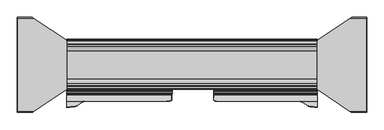
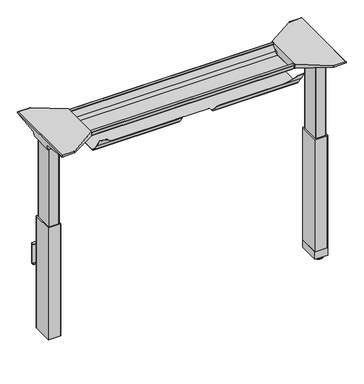
"""IFC4 building model written with IfcOpenShell, lengths in millimetres: furniture geometry."""

from ifc_helpers import new_model, si_unit, point, frame, frame_2d, origin, place, context, project, spatial, polyline, circle_curve, ellipse_curve, trimmed, segment, composite_curve, outline, extrude, faceted_brep, source, transform, mapped, element, save
from ifc_brep_helpers import plane_surface, cylinder_surface, revolved_surface, advanced_brep


def furniture_4a7095aa(model_context):
    return source(origin(), model_context, "Body", "SolidModel", [
        faceted_brep([(475.0773962, 590.8522459, 952.2870648), (475.0773962, 595.9511535, 952.888627), (475.0773962, 600.7795651, 954.6650084), (475.0773962, 605.0755602, 957.5308218), (475.0773962, 608.5953671, 961.3414904), (475.0773962, 633.6989947, 995.9838526), (475.0773962, 632.9604951, 996.5190068), (475.0773962, 607.8568766, 961.8766321), (475.0773962, 604.4835723, 958.2245295), (475.0773962, 600.3663818, 955.4780401), (475.0773962, 595.738939, 953.7755641), (475.0773962, 590.8522459, 953.1990731), (475.0773962, 441.3736247, 953.1990731), (475.0773962, 436.486968, 953.7755641), (475.0773962, 431.859507, 955.4780401), (475.0773962, 427.7422983, 958.2245295), (475.0773962, 424.3689849, 961.8766321), (475.0773962, 399.2028612, 996.6052536), (475.0773962, 376.5092296, 1033.3651011), (475.0773962, 375.4403751, 1033.3651011), (475.0773962, 398.4643797, 996.0701118), (475.0773962, 423.6305035, 961.3414904), (475.0773962, 427.1503195, 957.5308218), (475.0773962, 431.4463146, 954.6650084), (475.0773962, 436.2747444, 952.8885906), (475.0773962, 441.3736247, 952.2870648), (-475.2619573, 590.8522459, 952.2870648), (-475.2619573, 441.3736247, 952.2870648), (-475.2619573, 436.2747444, 952.8885906), (-475.2619573, 431.4463146, 954.6650084), (-475.2619573, 427.1503195, 957.5308218), (-475.2619573, 423.6305035, 961.3414904), (-475.2619573, 398.4643797, 996.0701118), (-475.2619573, 374.6840646, 1034.590196), (-475.2619573, 375.7529193, 1034.590196), (-475.2619573, 399.2028612, 996.6052536), (-475.2619573, 424.3689849, 961.8766321), (-475.2619573, 427.7422983, 958.2245295), (-475.2619573, 431.859507, 955.4780401), (-475.2619573, 436.486968, 953.7755641), (-475.2619573, 441.3736247, 953.1990731), (-475.2619573, 590.8522459, 953.1990731), (-475.2619573, 595.738939, 953.7755641), (-475.2619573, 600.3663818, 955.4780401), (-475.2619573, 604.4835723, 958.2245295), (-475.2619573, 607.8568766, 961.8766321), (-475.2619573, 632.9604951, 996.5190068), (-475.2619573, 633.6989947, 995.9838526), (-475.2619573, 608.5953671, 961.3414904), (-475.2619573, 605.0755602, 957.5308218), (-475.2619573, 600.7795651, 954.6650084), (-475.2619573, 595.9511535, 952.888627), (-75.6384043, 441.3736247, 953.1990731), (-75.6384043, 454.3676256, 953.1990731), (81.7532437, 454.3676256, 953.1990731), (81.7532437, 441.3736247, 953.1990731), (81.7705031, 436.486968, 953.7755641), (-75.6556637, 436.486968, 953.7755641), (81.8214729, 431.859507, 955.4780401), (-75.7066339, 431.859507, 955.4780401), (81.903699, 427.7422983, 958.2245295), (-75.7888606, 427.7422983, 958.2245295), (82.013038, 424.3689849, 961.8766321), (-75.8982003, 424.3689849, 961.8766321), (81.9970166, 423.6305035, 961.3414904), (81.8829304, 427.1503195, 957.5308218), (-75.7680918, 427.1503195, 957.5308218), (-75.8821788, 423.6305035, 961.3414904), (81.7971318, 431.4463146, 954.6650084), (-75.6822927, 431.4463146, 954.6650084), (81.7439483, 436.2747444, 952.8885906), (-75.6291088, 436.2747444, 952.8885906), (81.7259395, 441.3736247, 952.2870648), (-75.6110998, 441.3736247, 952.2870648), (81.7259395, 454.3676256, 952.2870648), (-75.6110998, 454.3676256, 952.2870648), (82.8933187, 403.0621987, 991.2794643), (86.742357, 401.2086593, 993.8373024), (92.3919689, 399.4366732, 996.2825989), (404.3231429, 399.4366732, 996.2825989), (407.7577733, 399.2028612, 996.6052536), (408.6845046, 399.1397741, 996.6923122), (-405.8287306, 399.1397741, 996.6923122), (-404.9019993, 399.2028612, 996.6052536), (-401.4673689, 399.4366732, 996.2825989), (-97.8762341, 399.4366732, 996.2825989), (-84.3911169, 400.0282055, 995.466299), (-80.6274527, 401.2086593, 993.8373024), (-76.7784871, 403.0621987, 991.2794643), (412.8142671, 398.403722, 997.899724), (416.4928943, 397.2055291, 999.8405939), (419.525122, 395.6181075, 1002.4119486), (439.7901641, 382.2038478, 1024.1407822), (441.811625, 381.1455817, 1025.8549944), (444.2640916, 380.3467565, 1027.1489561), (447.0172666, 379.8498125, 1027.9539215), (449.9248653, 379.6812185, 1028.2270153), (-447.0690912, 379.6812185, 1028.2270153), (-444.1614926, 379.8498125, 1027.9539215), (-441.4083176, 380.3467565, 1027.1489561), (-438.955851, 381.1455817, 1025.8549944), (-436.9343901, 382.2038478, 1024.1407822), (-416.669348, 395.6181075, 1002.4119486), (-413.6371203, 397.2055291, 999.8405939), (-409.9584931, 398.403722, 997.899724), (449.9248653, 378.6123645, 1028.2270153), (447.0172666, 378.7809585, 1027.9539215), (444.2640916, 379.2779027, 1027.1489561), (441.811625, 380.076728, 1025.8549944), (439.7901641, 381.1349943, 1024.1407822), (419.525122, 394.5492565, 1002.4119486), (416.4928943, 396.1366784, 999.8405939), (412.8142671, 397.3348714, 997.899724), (408.6845046, 398.0802653, 996.6923122), (404.3231429, 398.3332012, 996.2825989), (92.3919689, 398.3332012, 996.2825989), (91.9010389, 398.4643797, 996.0701118), (-94.365989, 398.4643797, 996.0701118), (-97.8762341, 398.3332012, 996.2825989), (-401.4673689, 398.3332012, 996.2825989), (-405.8287306, 398.0802653, 996.6923122), (-409.9584931, 397.3348714, 997.899724), (-413.6371203, 396.1366784, 999.8405939), (-416.669348, 394.5492565, 1002.4119486), (-436.9343901, 381.1349943, 1024.1407822), (-438.955851, 380.076728, 1025.8549944), (-441.4083176, 379.2779027, 1027.1489561), (-444.1614926, 378.7809585, 1027.9539215), (-447.0690912, 378.6123645, 1028.2270153), (86.742357, 400.0823869, 993.8373024), (82.8933187, 401.9359263, 991.2794643), (-76.7784871, 401.9359263, 991.2794643), (-80.6274527, 400.0823869, 993.8373024), (-84.3911169, 398.9019332, 995.466299)], [[[0, 1, 2, 3, 4, 5, 6, 7, 8, 9, 10, 11, 12, 13, 14, 15, 16, 17, 18, 19, 20, 21, 22, 23, 24, 25]], [[26, 27, 28, 29, 30, 31, 32, 33, 34, 35, 36, 37, 38, 39, 40, 41, 42, 43, 44, 45, 46, 47, 48, 49, 50, 51]], [[1, 0, 26, 51]], [[2, 1, 51, 50]], [[3, 2, 50, 49]], [[4, 3, 49, 48]], [[5, 4, 48, 47]], [[6, 5, 47, 46]], [[7, 6, 46, 45]], [[8, 7, 45, 44]], [[9, 8, 44, 43]], [[10, 9, 43, 42]], [[11, 10, 42, 41]], [[12, 11, 41, 40, 52, 53, 54, 55]], [[13, 12, 55, 56]], [[40, 39, 57, 52]], [[14, 13, 56, 58]], [[39, 38, 59, 57]], [[15, 14, 58, 60]], [[38, 37, 61, 59]], [[16, 15, 60, 62]], [[37, 36, 63, 61]], [[22, 21, 64, 65]], [[31, 30, 66, 67]], [[23, 22, 65, 68]], [[30, 29, 69, 66]], [[24, 23, 68, 70]], [[29, 28, 71, 69]], [[25, 24, 70, 72]], [[28, 27, 73, 71]], [[0, 25, 72, 74, 75, 73, 27, 26]], [[17, 16, 62, 76, 77, 78, 79, 80, 81]], [[36, 35, 82, 83, 84, 85, 86, 87, 88, 63]], [[18, 17, 81, 89, 90, 91, 92, 93, 94, 95, 96]], [[35, 34, 97, 98, 99, 100, 101, 102, 103, 104, 82]], [[20, 19, 105, 106, 107, 108, 109, 110, 111, 112, 113, 114, 115, 116]], [[33, 32, 117, 118, 119, 120, 121, 122, 123, 124, 125, 126, 127, 128]], [[21, 20, 116, 129, 130, 64]], [[32, 31, 67, 131, 132, 133, 117]], [[114, 79, 78, 115]], [[133, 86, 85, 118, 117]], [[118, 85, 84, 119]], [[119, 84, 83, 82, 120]], [[120, 82, 104, 121]], [[121, 104, 103, 122]], [[122, 103, 102, 123]], [[123, 102, 101, 124]], [[124, 101, 100, 125]], [[125, 100, 99, 126]], [[126, 99, 98, 127]], [[127, 98, 97, 128]], [[105, 96, 95, 106]], [[106, 95, 94, 107]], [[107, 94, 93, 108]], [[108, 93, 92, 109]], [[109, 92, 91, 110]], [[110, 91, 90, 111]], [[111, 90, 89, 112]], [[112, 89, 81, 113]], [[79, 114, 113, 81, 80]], [[115, 78, 77, 129, 116]], [[129, 77, 76, 130]], [[54, 74, 72, 70, 68, 65, 64, 130, 76, 62, 60, 58, 56, 55]], [[75, 53, 52, 57, 59, 61, 63, 88, 131, 67, 66, 69, 71, 73]], [[131, 88, 87, 132]], [[86, 133, 132, 87]], [[128, 97, 34, 33]], [[96, 105, 19, 18]], [[53, 75, 74, 54]]]),
        advanced_brep(
        [(655.2406297, 483.3959297, 988.7915733), (489.5122138, 483.3959297, 988.7915733), (503.8924181, 485.6243831, 986.1442785), (652.7518591, 485.6243831, 986.1442785), (655.4625278, 483.3869439, 989.0276054), (657.8619089, 482.7429173, 1005.9443054), (475.0773962, 482.7429173, 1005.9443054), (475.0773962, 483.0909034, 996.8037253), (477.9075093, 483.1720941, 994.6710821), (478.0501644, 483.2497602, 992.6310191), (658.7185362, 477.2758818, 1011.9839076), (475.0773962, 477.2758818, 1011.9839076), (661.2393767, 362.7046774, 1029.7569507), (597.0243442, 362.7046774, 1029.7569507), (475.0773962, 443.5093999, 1017.2219877), (661.3128152, 358.9286724, 1030.2747243), (602.7229255, 358.9286724, 1030.2747243), (661.9871296, 357.418416, 1035.0289399), (660.2021288, 359.9953111, 1037.209), (601.1132011, 359.9953111, 1037.209), (661.9871296, 716.3919839, 1035.0289399), (661.3128152, 714.8817274, 1030.2747243), (602.7229255, 714.8817274, 1030.2747243), (601.1132011, 713.8150887, 1037.209), (660.2021288, 713.8150887, 1037.209), (661.2393767, 711.1057224, 1029.7569507), (597.0243442, 711.1057224, 1029.7569507), (658.7185362, 596.5345181, 1011.9839076), (475.0773962, 596.5345181, 1011.9839076), (475.0773962, 630.3009999, 1017.2219877), (657.8619089, 591.0674826, 1005.9443054), (475.0773962, 591.0674826, 1005.9443054), (655.4625278, 590.423456, 989.0276054), (655.2406297, 590.4144701, 988.7915733), (489.5122138, 590.4144701, 988.7915733), (478.0501644, 590.5606396, 992.6310191), (477.9075093, 590.6383057, 994.6710821), (475.0773962, 590.7194964, 996.8037253), (652.7518591, 588.1860168, 986.1442785), (503.8924181, 588.1860168, 986.1442785), (475.0773962, 630.3009999, 1037.209), (475.0773962, 443.5093999, 1037.209)],
        [
            (0, 1),
            (1, 2, ellipse_curve(frame((513.7936465, 406.358199, 1080.3086722), z_axis=(0.0, -0.7650318638532662, -0.6439924279750482), x_axis=(0.0, -0.6439924279750482, 0.7650318638532662)), 123.7641411, 94.6835116)),
            (2, 3),
            (3, 0),
            (0, 4),
            (4, 5),
            (5, 6),
            (6, 7),
            (7, 8),
            (8, 9),
            (9, 1, ellipse_curve(frame((513.7936465, 479.9118313, 1080.3086722), z_axis=(0.0, -0.999276106683639, -0.03804290487316255), x_axis=(0.0, -0.03804290487316397, 0.999276106683639)), 94.752102, 94.6835116)),
            (5, 10, ellipse_curve(frame((657.8119691, 476.284359, 1005.5922075), z_axis=(0.9900906714849623, 0.0, -0.14042956326378145), x_axis=(0.1404295632637812, 0.0, 0.9900906714849624)), 6.5328852, 6.4681487)),
            (10, 11),
            (11, 6, circle_curve(frame((475.0773962, 476.284359, 1005.5922075), z_axis=(-1.0, 0.0, 0.0), x_axis=(0.0, -1.0, 0.0)), 6.4681487)),
            (10, 12),
            (12, 13),
            (13, 14),
            (14, 11),
            (12, 15),
            (15, 16),
            (16, 13),
            (15, 17, ellipse_curve(frame((661.7730772, 360.9057888, 1033.5197755), z_axis=(-0.9900906714849623, 0.0, 0.14042956326378145), x_axis=(-0.1404295632637812, 0.0, -0.9900906714849624)), 3.8379455, 3.7999141)),
            (17, 18, ellipse_curve(frame((663.222811, 360.9057888, 1033.5197755), z_axis=(-0.7737284588432359, 0.0, -0.6335173809581479), x_axis=(-0.6335173809581477, 0.0, 0.773728458843236)), 4.9111727, 3.7999141)),
            (18, 19),
            (19, 16, ellipse_curve(frame((599.739148, 360.9057888, 1033.5197755), z_axis=(0.5523637579768635, 0.8336031902972043, 0.0), x_axis=(-0.8336031902972042, 0.5523637579768637, 0.0)), 6.8793689, 3.7999141)),
            (20, 21, ellipse_curve(frame((661.7730772, 712.904611, 1033.5197755), z_axis=(-0.9900906714849623, 0.0, 0.14042956326378145), x_axis=(-0.1404295632637812, 0.0, -0.9900906714849624)), 3.8379455, 3.7999141)),
            (21, 22),
            (22, 23, ellipse_curve(frame((599.739148, 712.904611, 1033.5197755), z_axis=(0.552363757974925, -0.8336031902984888, 0.0), x_axis=(-0.8336031902984888, -0.5523637579749251, 0.0)), 6.8793689, 3.7999141)),
            (23, 24),
            (24, 20, ellipse_curve(frame((663.222811, 712.904611, 1033.5197755), z_axis=(-0.7737284588432359, 0.0, -0.6335173809581479), x_axis=(-0.6335173809581477, 0.0, 0.773728458843236)), 4.9111727, 3.7999141)),
            (21, 25),
            (25, 26),
            (26, 22),
            (27, 28),
            (28, 29),
            (29, 26),
            (25, 27),
            (27, 30, ellipse_curve(frame((657.8119691, 597.5260409, 1005.5922075), z_axis=(0.9900906714849623, 0.0, -0.14042956326378145), x_axis=(0.1404295632637812, 0.0, 0.9900906714849624)), 6.5328852, 6.4681487)),
            (30, 31),
            (31, 28, circle_curve(frame((475.0773962, 597.5260409, 1005.5922075), z_axis=(-1.0, 0.0, 0.0), x_axis=(0.0, -1.0, 0.0)), 6.4681487)),
            (30, 32),
            (32, 33),
            (33, 34),
            (34, 35, ellipse_curve(frame((513.7936465, 593.8985685, 1080.3086722), z_axis=(0.0, 0.9992761066836363, -0.03804290487323539), x_axis=(0.0, -0.03804290487323121, -0.9992761066836364)), 94.752102, 94.6835116)),
            (35, 36),
            (36, 37),
            (37, 31),
            (33, 38),
            (38, 39),
            (39, 34, ellipse_curve(frame((513.7936465, 667.4522008, 1080.3086722), z_axis=(0.0, 0.7650318638534733, -0.643992427974802), x_axis=(0.0, -0.643992427974802, -0.7650318638534732)), 123.7641411, 94.6835116)),
            (4, 32),
            (20, 17),
            (24, 18),
            (23, 40),
            (40, 41),
            (41, 19),
            (37, 7),
            (14, 41),
            (40, 29),
            (36, 8),
            (35, 9),
            (39, 2),
            (38, 3),
        ],
        [
            plane_surface(frame((678.2773962, 485.6243831, 986.1442785), z_axis=(0.0, -0.7650318638532662, -0.6439924279750482), x_axis=(-1.0, 0.0, 0.0))),
            plane_surface(frame((678.2773962, 483.3959297, 988.7915733), z_axis=(0.0, -0.999276106683639, -0.03804290487316255), x_axis=(-1.0, 0.0, 0.0))),
            revolved_surface(polyline([(658.7293793154885, 469.81621029999997, 1005.5922075), (475.0773962, 469.81621029999997, 1005.5922075)]), (678.2773962, 476.284359, 1005.5922075), (1.0, 0.0, 0.0)),
            plane_surface(frame((678.2773962, 477.2758818, 1011.9839076), z_axis=(0.0, -0.153293135871396, -0.9881807600306302), x_axis=(-1.0, 0.0, 0.0))),
            plane_surface(frame((678.2773962, 362.7046774, 1029.7569507), z_axis=(0.0, -0.13585085469026903, -0.9907292996979162), x_axis=(-1.0, 0.0, 0.0))),
            cylinder_surface(frame((678.2773962, 360.9057888, 1033.5197755), z_axis=(-1.0, 0.0, 0.0), x_axis=(0.0, -1.0, 0.0)), 3.7999141),
            cylinder_surface(frame((678.2773962, 712.904611, 1033.5197755), z_axis=(-1.0, 0.0, 0.0), x_axis=(0.0, -1.0, 0.0)), 3.7999141),
            plane_surface(frame((678.2773962, 714.8817274, 1030.2747243), z_axis=(0.0, 0.13585085468791205, -0.9907292996982394), x_axis=(-1.0, 0.0, 0.0))),
            plane_surface(frame((678.2773962, 711.1057224, 1029.7569507), z_axis=(0.0, 0.1532931358714066, -0.9881807600306285), x_axis=(-1.0, 0.0, 0.0))),
            revolved_surface(polyline([(658.7293793154885, 591.0578922, 1005.5922075), (475.0773962, 591.0578922, 1005.5922075)]), (678.2773962, 597.5260409, 1005.5922075), (1.0, 0.0, 0.0)),
            plane_surface(frame((678.2773962, 591.0674826, 1005.9443054), z_axis=(0.0, 0.9992761066836363, -0.03804290487323539), x_axis=(-1.0, 0.0, 0.0))),
            plane_surface(frame((678.2773962, 590.4144701, 988.7915733), z_axis=(0.0, 0.7650318638534733, -0.643992427974802), x_axis=(-1.0, 0.0, 0.0))),
            plane_surface(frame((655.4625278, 346.4051999, 989.0276054), z_axis=(0.9900906714849623, 0.0, -0.14042956326378145), x_axis=(0.0, 1.0, 0.0))),
            plane_surface(frame((661.9871296, 346.4051999, 1035.0289399), z_axis=(0.7737284588432359, 0.0, 0.6335173809581479), x_axis=(0.0, 1.0, 0.0))),
            plane_surface(frame((660.2021288, 346.4051999, 1037.209), z_axis=(0.0, 0.0, 1.0), x_axis=(0.0, 1.0, 0.0))),
            plane_surface(frame((475.0773962, 346.4051999, 1037.209), z_axis=(-1.0, 0.0, 0.0), x_axis=(0.0, 1.0, 0.0))),
            plane_surface(frame((475.0773962, 346.4051999, 996.8037253), z_axis=(-0.6018150231516275, 0.0, -0.7986355100476099), x_axis=(0.0, 1.0, 0.0))),
            plane_surface(frame((477.9075093, 346.4051999, 994.6710821), z_axis=(-0.9975640502599619, 0.0, -0.069756473742158), x_axis=(0.0, 1.0, 0.0))),
            cylinder_surface(frame((513.7936465, 346.4051999, 1080.3086722), z_axis=(0.0, -1.0, 0.0), x_axis=(-1.0, 0.0, 0.0)), 94.6835116),
            plane_surface(frame((503.8924181, 346.4051999, 986.1442785), z_axis=(0.0, 0.0, -1.0), x_axis=(0.0, 1.0, 0.0))),
            plane_surface(frame((652.7518591, 346.4051999, 986.1442785), z_axis=(0.7285846064197211, 0.0, -0.6849558170336391), x_axis=(0.0, 1.0, 0.0))),
            plane_surface(frame((621.6228017, 346.4051999, 1037.209), z_axis=(-0.5523637579768635, -0.8336031902972043, 0.0), x_axis=(0.0, 0.0, -1.0))),
            plane_surface(frame((475.0773962, 630.3009999, 1037.209), z_axis=(-0.552363757974925, 0.8336031902984888, 0.0), x_axis=(0.0, 0.0, -1.0))),
        ],
        [
            (0, [[1, 2, 3, 4]]),
            (1, [[-1, 5, 6, 7, 8, 9, 10, 11]]),
            (2, [[-7, 12, 13, 14]]),
            (3, [[-13, 15, 16, 17, 18]]),
            (4, [[19, 20, 21, -16]]),
            (5, [[22, 23, 24, 25, -20]]),
            (6, [[26, 27, 28, 29, 30]]),
            (7, [[31, 32, 33, -27]]),
            (8, [[34, 35, 36, -32, 37]]),
            (9, [[-34, 38, 39, 40]]),
            (10, [[-39, 41, 42, 43, 44, 45, 46, 47]]),
            (11, [[-43, 48, 49, 50]]),
            (12, [[51, -41, -38, -37, -31, -26, 52, -22, -19, -15, -12, -6]]),
            (13, [[-52, -30, 53, -23]]),
            (14, [[-53, -29, 54, 55, 56, -24]]),
            (15, [[57, -8, -14, -18, 58, -55, 59, -35, -40, -47]]),
            (16, [[-57, -46, 60, -9]]),
            (17, [[-60, -45, 61, -10]]),
            (18, [[-61, -44, -50, 62, -2, -11]]),
            (19, [[-62, -49, 63, -3]]),
            (20, [[-51, -5, -4, -63, -48, -42]]),
            (21, [[-56, -58, -17, -21, -25]]),
            (22, [[-54, -28, -33, -36, -59]]),
        ],
    ),
        advanced_brep(
        [(-489.5122138, 483.3959297, 988.7915733), (-655.2406297, 483.3959297, 988.7915733), (-652.7518591, 485.6243831, 986.1442785), (-503.8924181, 485.6243831, 986.1442785), (-478.0501644, 483.2497602, 992.6310191), (-477.9075093, 483.1720941, 994.6710821), (-475.2619573, 483.0961981, 996.6646485), (-475.2619573, 482.7429173, 1005.9443054), (-657.8619089, 482.7429173, 1005.9443054), (-655.4625278, 483.3869439, 989.0276054), (-475.2619573, 477.2758818, 1011.9839076), (-658.7185362, 477.2758818, 1011.9839076), (-475.2619573, 443.5162046, 1017.2209321), (-597.0570453, 362.7046774, 1029.7569507), (-661.2393767, 362.7046774, 1029.7569507), (-661.3128152, 358.9286724, 1030.2747243), (-602.7480509, 358.9286724, 1030.2747243), (-661.9871296, 357.418416, 1035.0289399), (-601.1404665, 359.9953111, 1037.209), (-660.2021288, 359.9953111, 1037.209), (-661.3128152, 714.8817274, 1030.2747243), (-661.9871296, 716.3919839, 1035.0289399), (-660.2021288, 713.8150887, 1037.209), (-601.1404665, 713.8150887, 1037.209), (-602.7480509, 714.8817274, 1030.2747243), (-661.2393767, 711.1057224, 1029.7569507), (-597.0570453, 711.1057224, 1029.7569507), (-475.2619573, 596.5345181, 1011.9839076), (-658.7185362, 596.5345181, 1011.9839076), (-475.2619573, 630.2941953, 1017.2209321), (-475.2619573, 591.0674826, 1005.9443054), (-657.8619089, 591.0674826, 1005.9443054), (-475.2619573, 590.7142017, 996.6646485), (-477.9075093, 590.6383057, 994.6710821), (-478.0501644, 590.5606396, 992.6310191), (-489.5122138, 590.4144701, 988.7915733), (-655.2406297, 590.4144701, 988.7915733), (-655.4625278, 590.423456, 989.0276054), (-503.8924181, 588.1860168, 986.1442785), (-652.7518591, 588.1860168, 986.1442785), (-475.2619573, 443.5162046, 1037.209), (-475.2619573, 630.2941953, 1037.209)],
        [
            (0, 1),
            (1, 2),
            (2, 3),
            (3, 0, ellipse_curve(frame((-513.7936465, 406.358199, 1080.3086722), z_axis=(0.0, -0.7650318638532565, -0.6439924279750596), x_axis=(0.0, 0.6439924279750596, -0.7650318638532564)), 123.7641411, 94.6835116)),
            (0, 4, ellipse_curve(frame((-513.7936465, 479.9118313, 1080.3086722), z_axis=(0.0, -0.9992761066836392, -0.03804290487315862), x_axis=(0.0, 0.03804290487315623, -0.9992761066836393)), 94.752102, 94.6835116)),
            (4, 5),
            (5, 6),
            (6, 7),
            (7, 8),
            (8, 9),
            (9, 1),
            (7, 10, circle_curve(frame((-475.2619573, 476.284359, 1005.5922075), z_axis=(1.0, 0.0, 0.0), x_axis=(0.0, -1.0, 0.0)), 6.4681487)),
            (10, 11),
            (11, 8, ellipse_curve(frame((-657.8119691, 476.284359, 1005.5922075), z_axis=(-0.9900906714849659, 0.0, -0.1404295632637567), x_axis=(0.1404295632637562, 0.0, -0.9900906714849659)), 6.5328852, 6.4681487)),
            (10, 12),
            (12, 13),
            (13, 14),
            (14, 11),
            (15, 14),
            (13, 16),
            (16, 15),
            (17, 15, ellipse_curve(frame((-661.7730772, 360.9057888, 1033.5197755), z_axis=(0.9900906714849659, 0.0, 0.1404295632637567), x_axis=(-0.1404295632637562, 0.0, 0.9900906714849659)), 3.8379455, 3.7999141)),
            (16, 18, ellipse_curve(frame((-599.76824, 360.9057888, 1033.5197755), z_axis=(-0.5528743936294956, 0.8332646067539516, 0.0), x_axis=(-0.8332646067539515, -0.5528743936294958, 0.0)), 6.8730151, 3.7999141)),
            (18, 19),
            (19, 17, ellipse_curve(frame((-663.222811, 360.9057888, 1033.5197755), z_axis=(0.7737284588399557, 0.0, -0.633517380962154), x_axis=(-0.6335173809621538, 0.0, -0.7737284588399556)), 4.9111727, 3.7999141)),
            (20, 21, ellipse_curve(frame((-661.7730772, 712.904611, 1033.5197755), z_axis=(0.9900906714849659, 0.0, 0.1404295632637567), x_axis=(-0.1404295632637562, 0.0, 0.9900906714849659)), 3.8379455, 3.7999141)),
            (21, 22, ellipse_curve(frame((-663.222811, 712.904611, 1033.5197755), z_axis=(0.7737284588399557, 0.0, -0.633517380962154), x_axis=(-0.6335173809621538, 0.0, -0.7737284588399556)), 4.9111727, 3.7999141)),
            (22, 23),
            (23, 24, ellipse_curve(frame((-599.76824, 712.904611, 1033.5197755), z_axis=(-0.5528743936294861, -0.8332646067539579, 0.0), x_axis=(-0.8332646067539579, 0.5528743936294861, 0.0)), 6.8730151, 3.7999141)),
            (24, 20),
            (25, 20),
            (24, 26),
            (26, 25),
            (27, 28),
            (28, 25),
            (26, 29),
            (29, 27),
            (27, 30, circle_curve(frame((-475.2619573, 597.5260409, 1005.5922075), z_axis=(1.0, 0.0, 0.0), x_axis=(0.0, -1.0, 0.0)), 6.4681487)),
            (30, 31),
            (31, 28, ellipse_curve(frame((-657.8119691, 597.5260409, 1005.5922075), z_axis=(-0.9900906714849659, 0.0, -0.1404295632637567), x_axis=(0.1404295632637562, 0.0, -0.9900906714849659)), 6.5328852, 6.4681487)),
            (30, 32),
            (32, 33),
            (33, 34),
            (34, 35, ellipse_curve(frame((-513.7936465, 593.8985685, 1080.3086722), z_axis=(0.0, 0.9992761066836363, -0.03804290487323539), x_axis=(0.0, 0.03804290487323121, 0.9992761066836364)), 94.752102, 94.6835116)),
            (35, 36),
            (36, 37),
            (37, 31),
            (35, 38, ellipse_curve(frame((-513.7936465, 667.4522008, 1080.3086722), z_axis=(0.0, 0.7650318638534733, -0.643992427974802), x_axis=(0.0, 0.643992427974802, 0.7650318638534732)), 123.7641411, 94.6835116)),
            (38, 39),
            (39, 36),
            (37, 9),
            (17, 21),
            (19, 22),
            (18, 40),
            (40, 41),
            (41, 23),
            (6, 32),
            (29, 41),
            (40, 12),
            (5, 33),
            (4, 34),
            (3, 38),
            (2, 39),
        ],
        [
            plane_surface(frame((-475.2619573, 485.6243831, 986.1442785), z_axis=(0.0, -0.7650318638532565, -0.6439924279750596), x_axis=(-1.0, 0.0, 0.0))),
            plane_surface(frame((-475.2619573, 483.3959297, 988.7915733), z_axis=(0.0, -0.9992761066836392, -0.03804290487315862), x_axis=(-1.0, 0.0, 0.0))),
            revolved_surface(polyline([(-475.2619573, 469.81621029999997, 1005.5922075), (-658.7293793154884, 469.81621029999997, 1005.5922075)]), (-475.2619573, 476.284359, 1005.5922075), (1.0, 0.0, 0.0)),
            plane_surface(frame((-475.2619573, 477.2758818, 1011.9839076), z_axis=(0.0, -0.15329313587140309, -0.988180760030629), x_axis=(-1.0, 0.0, 0.0))),
            plane_surface(frame((-475.2619573, 362.7046774, 1029.7569507), z_axis=(0.0, -0.1358508546900816, -0.9907292996979419), x_axis=(-1.0, 0.0, 0.0))),
            cylinder_surface(frame((-475.2619573, 360.9057888, 1033.5197755), z_axis=(-1.0, 0.0, 0.0), x_axis=(0.0, -1.0, 0.0)), 3.7999141),
            cylinder_surface(frame((-475.2619573, 712.904611, 1033.5197755), z_axis=(-1.0, 0.0, 0.0), x_axis=(0.0, -1.0, 0.0)), 3.7999141),
            plane_surface(frame((-475.2619573, 714.8817274, 1030.2747243), z_axis=(0.0, 0.1358508546877776, -0.9907292996982578), x_axis=(-1.0, 0.0, 0.0))),
            plane_surface(frame((-475.2619573, 711.1057224, 1029.7569507), z_axis=(0.0, 0.15329313587141113, -0.9881807600306277), x_axis=(-1.0, 0.0, 0.0))),
            revolved_surface(polyline([(-475.2619573, 591.0578922, 1005.5922075), (-658.7293793154884, 591.0578922, 1005.5922075)]), (-475.2619573, 597.5260409, 1005.5922075), (1.0, 0.0, 0.0)),
            plane_surface(frame((-475.2619573, 591.0674826, 1005.9443054), z_axis=(0.0, 0.9992761066836363, -0.03804290487323539), x_axis=(-1.0, 0.0, 0.0))),
            plane_surface(frame((-475.2619573, 590.4144701, 988.7915733), z_axis=(0.0, 0.7650318638534733, -0.643992427974802), x_axis=(-1.0, 0.0, 0.0))),
            plane_surface(frame((-655.4625278, 727.4051999, 989.0276054), z_axis=(-0.9900906714849659, 0.0, -0.1404295632637567), x_axis=(0.0, -1.0, 0.0))),
            plane_surface(frame((-661.9871296, 727.4051999, 1035.0289399), z_axis=(-0.7737284588399557, 0.0, 0.633517380962154), x_axis=(0.0, -1.0, 0.0))),
            plane_surface(frame((-660.2021288, 727.4051999, 1037.209), z_axis=(0.0, 0.0, 1.0), x_axis=(0.0, -1.0, 0.0))),
            plane_surface(frame((-475.2619573, 727.4051999, 1037.209), z_axis=(1.0, 0.0, 0.0), x_axis=(0.0, -1.0, 0.0))),
            plane_surface(frame((-475.2619573, 727.4051999, 996.6646485), z_axis=(0.6018150231540728, 0.0, -0.7986355100457674), x_axis=(0.0, -1.0, 0.0))),
            plane_surface(frame((-477.9075093, 727.4051999, 994.6710821), z_axis=(0.9975640502598287, 0.0, -0.06975647374406109), x_axis=(0.0, -1.0, 0.0))),
            cylinder_surface(frame((-513.7936465, 727.4051999, 1080.3086722), z_axis=(0.0, 1.0, 0.0), x_axis=(1.0, 0.0, 0.0)), 94.6835116),
            plane_surface(frame((-503.8924181, 727.4051999, 986.1442785), z_axis=(0.0, 0.0, -1.0), x_axis=(0.0, -1.0, 0.0))),
            plane_surface(frame((-652.7518591, 727.4051999, 986.1442785), z_axis=(-0.7285846064222696, 0.0, -0.6849558170309284), x_axis=(0.0, -1.0, 0.0))),
            plane_surface(frame((-475.2619573, 443.5162046, 1037.209), z_axis=(0.5528743936294956, -0.8332646067539516, 0.0), x_axis=(0.0, 0.0, -1.0))),
            plane_surface(frame((-621.6228017, 727.4051999, 1037.209), z_axis=(0.5528743936294861, 0.8332646067539579, 0.0), x_axis=(0.0, 0.0, -1.0))),
        ],
        [
            (0, [[1, 2, 3, 4]]),
            (1, [[-1, 5, 6, 7, 8, 9, 10, 11]]),
            (2, [[-9, 12, 13, 14]]),
            (3, [[-13, 15, 16, 17, 18]]),
            (4, [[19, -17, 20, 21]]),
            (5, [[22, -21, 23, 24, 25]]),
            (6, [[26, 27, 28, 29, 30]]),
            (7, [[31, -30, 32, 33]]),
            (8, [[34, 35, -33, 36, 37]]),
            (9, [[-34, 38, 39, 40]]),
            (10, [[-39, 41, 42, 43, 44, 45, 46, 47]]),
            (11, [[-45, 48, 49, 50]]),
            (12, [[51, -10, -14, -18, -19, -22, 52, -26, -31, -35, -40, -47]]),
            (13, [[-52, -25, 53, -27]]),
            (14, [[-53, -24, 54, 55, 56, -28]]),
            (15, [[57, -41, -38, -37, 58, -55, 59, -15, -12, -8]]),
            (16, [[-57, -7, 60, -42]]),
            (17, [[-60, -6, 61, -43]]),
            (18, [[-61, -5, -4, 62, -48, -44]]),
            (19, [[-62, -3, 63, -49]]),
            (20, [[-51, -46, -50, -63, -2, -11]]),
            (21, [[-54, -23, -20, -16, -59]]),
            (22, [[-56, -58, -36, -32, -29]]),
        ],
    ),
        advanced_brep(
        [(475.0773962, 458.2220303, 1031.9794894), (475.0773962, 456.4576757, 1034.2075511), (475.0773962, 445.4770774, 1034.2075511), (475.0773962, 444.746908, 1031.6093085), (475.0773962, 466.1732891, 1002.0462148), (475.0773962, 483.5741085, 993.4452863), (475.0773962, 590.3619843, 993.4452863), (475.0773962, 607.9897782, 1002.4997482), (475.0773962, 629.3244861, 1032.2706054), (475.0773962, 627.6859233, 1034.3266572), (475.0773962, 617.4707901, 1034.3266572), (475.0773962, 615.5998151, 1031.9794894), (475.0773962, 616.3410362, 1031.4423822), (475.0773962, 617.9112636, 1033.4122572), (475.0773962, 627.5898761, 1033.4122572), (475.0773962, 628.3957648, 1032.5444366), (475.0773962, 607.2465255, 1003.0323858), (475.0773962, 590.3619843, 994.3598536), (475.0773962, 483.5741085, 994.3596863), (475.0773962, 466.9067599, 1002.5923713), (475.0773962, 445.5530373, 1032.0552144), (475.0773962, 445.8103058, 1033.2931511), (475.0773962, 456.0153909, 1033.2931511), (475.0773962, 457.480928, 1031.4424419), (-475.2619573, 458.2220303, 1031.9794894), (-475.2619573, 457.480928, 1031.4424419), (-475.2619573, 456.0153909, 1033.2931511), (-475.2619573, 445.8103058, 1033.2931511), (-475.2619573, 445.5530373, 1032.0552144), (-475.2619573, 466.9067599, 1002.5923713), (-475.2619573, 483.5741085, 994.3596863), (-475.2619573, 590.3619844, 994.3596863), (-475.2619573, 607.2465255, 1003.0323858), (-475.2619573, 628.3957648, 1032.5444366), (-475.2619573, 627.5898761, 1033.4122572), (-475.2619573, 617.9112636, 1033.4122572), (-475.2619573, 616.3410362, 1031.4423822), (-475.2619573, 615.5998151, 1031.9794894), (-475.2619573, 617.4707901, 1034.3266572), (-475.2619573, 627.6859233, 1034.3266572), (-475.2619573, 629.3244861, 1032.2706054), (-475.2619573, 607.9897782, 1002.4997482), (-475.2619573, 590.3619843, 993.4454536), (-475.2619573, 483.5741085, 993.4452863), (-475.2619573, 466.1732891, 1002.0462148), (-475.2619573, 444.746908, 1031.6093085), (-475.2619573, 445.4770774, 1034.2075511), (-475.2619573, 456.4576757, 1034.2075511)],
        [
            (0, 1),
            (1, 2),
            (2, 3, circle_curve(frame((475.0773962, 446.6946423, 1032.4636667), z_axis=(1.0, 0.0, 0.0), x_axis=(0.0, -1.0, 0.0)), 2.1268749)),
            (3, 4),
            (4, 5, circle_curve(frame((475.0773962, 483.5741085, 1015.3478336), z_axis=(1.0, 0.0, 0.0), x_axis=(0.0, -1.0, 0.0)), 21.9025472)),
            (5, 6),
            (6, 7, circle_curve(frame((475.0773962, 590.3619843, 1015.132365), z_axis=(1.0, 0.0, 0.0), x_axis=(0.0, -1.0, 0.0)), 21.6869114)),
            (7, 8),
            (8, 9, circle_curve(frame((475.0773962, 627.3241364, 1032.3573833), z_axis=(1.0, 0.0, 0.0), x_axis=(0.0, -1.0, 0.0)), 2.0022311)),
            (9, 10),
            (10, 11),
            (11, 12),
            (12, 13),
            (13, 14),
            (14, 15, circle_curve(frame((475.0773962, 627.3241364, 1032.3573833), z_axis=(-1.0, 0.0, 0.0), x_axis=(0.0, -1.0, 0.0)), 1.0878311)),
            (15, 16),
            (16, 17, circle_curve(frame((475.0773962, 590.3619843, 1015.132365), z_axis=(-1.0, 0.0, 0.0), x_axis=(0.0, -1.0, 0.0)), 20.7725114)),
            (17, 18),
            (18, 19, circle_curve(frame((475.0773962, 483.5741085, 1015.3478336), z_axis=(-1.0, 0.0, 0.0), x_axis=(0.0, -1.0, 0.0)), 20.9881473)),
            (19, 20),
            (20, 21, circle_curve(frame((475.0773962, 446.6946423, 1032.4636667), z_axis=(-1.0, 0.0, 0.0), x_axis=(0.0, -1.0, 0.0)), 1.2124749)),
            (21, 22),
            (22, 23),
            (23, 0),
            (24, 25),
            (25, 26),
            (26, 27),
            (27, 28, circle_curve(frame((-475.2619573, 446.6946423, 1032.4636667), z_axis=(1.0, 0.0, 0.0), x_axis=(0.0, -1.0, 0.0)), 1.2124749)),
            (28, 29),
            (29, 30, circle_curve(frame((-475.2619573, 483.5741085, 1015.3478336), z_axis=(1.0, 0.0, 0.0), x_axis=(0.0, -1.0, 0.0)), 20.9881473)),
            (30, 31),
            (31, 32, circle_curve(frame((-475.2619573, 590.3619843, 1015.132365), z_axis=(1.0, 0.0, 0.0), x_axis=(0.0, -1.0, 0.0)), 20.7725114)),
            (32, 33),
            (33, 34, circle_curve(frame((-475.2619573, 627.3241364, 1032.3573833), z_axis=(1.0, 0.0, 0.0), x_axis=(0.0, -1.0, 0.0)), 1.0878311)),
            (34, 35),
            (35, 36),
            (36, 37),
            (37, 38),
            (38, 39),
            (39, 40, circle_curve(frame((-475.2619573, 627.3241364, 1032.3573833), z_axis=(-1.0, 0.0, 0.0), x_axis=(0.0, -1.0, 0.0)), 2.0022311)),
            (40, 41),
            (41, 42, circle_curve(frame((-475.2619573, 590.3619843, 1015.132365), z_axis=(-1.0, 0.0, 0.0), x_axis=(0.0, -1.0, 0.0)), 21.6869114)),
            (42, 43),
            (43, 44, circle_curve(frame((-475.2619573, 483.5741085, 1015.3478336), z_axis=(-1.0, 0.0, 0.0), x_axis=(0.0, -1.0, 0.0)), 21.9025472)),
            (44, 45),
            (45, 46, circle_curve(frame((-475.2619573, 446.6946423, 1032.4636667), z_axis=(-1.0, 0.0, 0.0), x_axis=(0.0, -1.0, 0.0)), 2.1268749)),
            (46, 47),
            (47, 24),
            (0, 24),
            (47, 1),
            (46, 2),
            (45, 3),
            (44, 4),
            (43, 5),
            (42, 6),
            (41, 7),
            (40, 8),
            (39, 9),
            (38, 10),
            (37, 11),
            (36, 12),
            (35, 13),
            (34, 14),
            (33, 15),
            (32, 16),
            (31, 17),
            (30, 18),
            (29, 19),
            (28, 20),
            (27, 21),
            (26, 22),
            (25, 23),
        ],
        [
            plane_surface(frame((475.0773962, 536.9051999, 1037.209), z_axis=(1.0, 0.0, 0.0), x_axis=(0.0, 0.0, 1.0))),
            plane_surface(frame((-475.2619573, 536.9051999, 1037.209), z_axis=(-1.0, 0.0, 0.0), x_axis=(0.0, 0.0, 1.0))),
            plane_surface(frame((475.0773962, 458.2220303, 1031.9794894), z_axis=(0.0, 0.7839649337165058, 0.6208051084703434), x_axis=(-1.0, 0.0, 0.0))),
            plane_surface(frame((475.0773962, 456.4576757, 1034.2075511), z_axis=(0.0, 0.0, 1.0), x_axis=(-1.0, 0.0, 0.0))),
            cylinder_surface(frame((475.0773962, 446.6946423, 1032.4636667), z_axis=(1.0, 0.0, 0.0), x_axis=(0.0, -1.0, 0.0)), 2.1268749),
            plane_surface(frame((475.0773962, 444.746908, 1031.6093085), z_axis=(0.0, -0.8096997445281038, -0.586844377762217), x_axis=(-1.0, 0.0, 0.0))),
            cylinder_surface(frame((475.0773962, 483.5741085, 1015.3478336), z_axis=(1.0, 0.0, 0.0), x_axis=(0.0, -1.0, 0.0)), 21.9025472),
            plane_surface(frame((475.0773962, 483.5741085, 993.4452863), z_axis=(0.0, 0.0, -1.0), x_axis=(-1.0, 0.0, 0.0))),
            cylinder_surface(frame((475.0773962, 590.3619843, 1015.132365), z_axis=(1.0, 0.0, 0.0), x_axis=(0.0, -1.0, 0.0)), 21.6869114),
            plane_surface(frame((475.0773962, 607.9897782, 1002.4997482), z_axis=(0.0, 0.8128309997561537, -0.5824995844079305), x_axis=(-1.0, 0.0, 0.0))),
            cylinder_surface(frame((475.0773962, 627.3241364, 1032.3573833), z_axis=(1.0, 0.0, 0.0), x_axis=(0.0, -1.0, 0.0)), 2.0022311),
            plane_surface(frame((475.0773962, 627.6859233, 1034.3266572), z_axis=(0.0, 0.0, 1.0), x_axis=(-1.0, 0.0, 0.0))),
            plane_surface(frame((475.0773962, 617.4707901, 1034.3266572), z_axis=(0.0, -0.7819660587237972, 0.6233210112004657), x_axis=(-1.0, 0.0, 0.0))),
            plane_surface(frame((475.0773962, 615.5998151, 1031.9794894), z_axis=(0.0, -0.5867684336468096, -0.8097547809526473), x_axis=(-1.0, 0.0, 0.0))),
            plane_surface(frame((475.0773962, 616.3410362, 1031.4423822), z_axis=(0.0, 0.7819660587239206, -0.6233210112003109), x_axis=(-1.0, 0.0, 0.0))),
            plane_surface(frame((475.0773962, 617.9112636, 1033.4122572), z_axis=(0.0, 0.0, -1.0), x_axis=(-1.0, 0.0, 0.0))),
            revolved_surface(polyline([(-475.2619573, 626.2363053, 1032.3573833), (475.0773962, 626.2363053, 1032.3573833)]), (475.0773962, 627.3241364, 1032.3573833), (-1.0, 0.0, 0.0)),
            plane_surface(frame((475.0773962, 628.3957648, 1032.5444366), z_axis=(0.0, -0.8128309996716102, 0.582499584525904), x_axis=(-1.0, 0.0, 0.0))),
            revolved_surface(polyline([(-475.2619573, 569.5894729, 1015.132365), (475.0773962, 569.5894729, 1015.132365)]), (475.0773962, 590.3619843, 1015.132365), (-1.0, 0.0, 0.0)),
            plane_surface(frame((475.0773962, 590.3619844, 994.3596863), z_axis=(0.0, 0.0, 1.0), x_axis=(-1.0, 0.0, 0.0))),
            revolved_surface(polyline([(-475.2619573, 462.58596120000004, 1015.3478336), (475.0773962, 462.58596120000004, 1015.3478336)]), (475.0773962, 483.5741085, 1015.3478336), (-1.0, 0.0, 0.0)),
            plane_surface(frame((475.0773962, 466.9067599, 1002.5923713), z_axis=(0.0, 0.8096997449536107, 0.5868443771751228), x_axis=(-1.0, 0.0, 0.0))),
            revolved_surface(polyline([(-475.2619573, 445.4821674, 1032.4636667), (475.0773962, 445.4821674, 1032.4636667)]), (475.0773962, 446.6946423, 1032.4636667), (-1.0, 0.0, 0.0)),
            plane_surface(frame((475.0773962, 445.8103058, 1033.2931511), z_axis=(0.0, 0.0, -1.0), x_axis=(-1.0, 0.0, 0.0))),
            plane_surface(frame((475.0773962, 456.0153909, 1033.2931511), z_axis=(0.0, -0.7839649337164979, -0.6208051084703533), x_axis=(-1.0, 0.0, 0.0))),
            plane_surface(frame((475.0773962, 457.480928, 1031.4424419), z_axis=(0.0, 0.5867873637752554, -0.8097410633737715), x_axis=(-1.0, 0.0, 0.0))),
        ],
        [
            (0, [[1, 2, 3, 4, 5, 6, 7, 8, 9, 10, 11, 12, 13, 14, 15, 16, 17, 18, 19, 20, 21, 22, 23, 24]]),
            (1, [[25, 26, 27, 28, 29, 30, 31, 32, 33, 34, 35, 36, 37, 38, 39, 40, 41, 42, 43, 44, 45, 46, 47, 48]]),
            (2, [[-1, 49, -48, 50]]),
            (3, [[-2, -50, -47, 51]]),
            (4, [[-3, -51, -46, 52]]),
            (5, [[-4, -52, -45, 53]]),
            (6, [[-5, -53, -44, 54]]),
            (7, [[-6, -54, -43, 55]]),
            (8, [[-7, -55, -42, 56]]),
            (9, [[-8, -56, -41, 57]]),
            (10, [[-9, -57, -40, 58]]),
            (11, [[-10, -58, -39, 59]]),
            (12, [[-11, -59, -38, 60]]),
            (13, [[-12, -60, -37, 61]]),
            (14, [[-13, -61, -36, 62]]),
            (15, [[-14, -62, -35, 63]]),
            (16, [[-15, -63, -34, 64]]),
            (17, [[-16, -64, -33, 65]]),
            (18, [[-17, -65, -32, 66]]),
            (19, [[-18, -66, -31, 67]]),
            (20, [[-19, -67, -30, 68]]),
            (21, [[-20, -68, -29, 69]]),
            (22, [[-21, -69, -28, 70]]),
            (23, [[-22, -70, -27, 71]]),
            (24, [[-23, -71, -26, 72]]),
            (25, [[-24, -72, -25, -49]]),
        ],
    ),
        advanced_brep(
        [(-598.8283088, 492.1569502, 986.1442785), (-596.0624028, 494.5101888, 986.1442785), (-596.0624028, 579.2838141, 986.1442785), (-599.1159671, 581.6332129, 986.1442785), (-642.4299922, 581.6534496, 986.1442785), (-645.4895972, 579.2837063, 986.1442785), (-645.4895972, 494.5101043, 986.1442785), (-642.7236912, 492.1569502, 986.1442785), (-598.8283088, 492.1569502, 599.0990058), (-642.7236912, 492.1569502, 599.0990058), (-645.4895972, 494.5101043, 599.0990058), (-645.4895972, 579.2837063, 599.0990058), (-642.4360098, 581.6332076, 599.0990058), (-599.1220078, 581.6534496, 599.0990058), (-596.0624028, 579.2838141, 599.0990058), (-596.0624028, 494.5101888, 599.0990058)],
        [
            (0, 1, circle_curve(frame((-599.1300788, 495.3137281, 986.1442785), z_axis=(0.0, 0.0, 1.0), x_axis=(-1.0, 0.0, 0.0)), 3.1711688)),
            (1, 2),
            (2, 3, circle_curve(frame((-599.1159671, 578.4741219, 986.1442785), z_axis=(0.0, 0.0, 1.0), x_axis=(-1.0, 0.0, 0.0)), 3.1590911)),
            (3, 4),
            (4, 5, circle_curve(frame((-642.4360098, 578.4741219, 986.1442785), z_axis=(0.0, 0.0, 1.0), x_axis=(-1.0, 0.0, 0.0)), 3.1590858)),
            (5, 6),
            (6, 7, circle_curve(frame((-642.4219439, 495.3137302, 986.1442785), z_axis=(0.0, 0.0, 1.0), x_axis=(-1.0, 0.0, 0.0)), 3.1711687)),
            (7, 0),
            (8, 9),
            (9, 10, circle_curve(frame((-642.4219439, 495.3137302, 599.0990058), z_axis=(0.0, 0.0, -1.0), x_axis=(-1.0, 0.0, 0.0)), 3.1711687)),
            (10, 11),
            (11, 12, circle_curve(frame((-642.4360098, 578.4741219, 599.0990058), z_axis=(0.0, 0.0, -1.0), x_axis=(-1.0, 0.0, 0.0)), 3.1590858)),
            (12, 13),
            (13, 14, circle_curve(frame((-599.1159671, 578.4741219, 599.0990058), z_axis=(0.0, 0.0, -1.0), x_axis=(-1.0, 0.0, 0.0)), 3.1590911)),
            (14, 15),
            (15, 8, circle_curve(frame((-599.1300788, 495.3137281, 599.0990058), z_axis=(0.0, 0.0, -1.0), x_axis=(-1.0, 0.0, 0.0)), 3.1711688)),
            (7, 9),
            (8, 0),
            (6, 10),
            (5, 11),
            (4, 12),
            (3, 13),
            (2, 14),
            (1, 15),
        ],
        [
            plane_surface(frame((-602.3012476, 495.3137281, 986.1442785), z_axis=(0.0, 0.0, 1.0), x_axis=(0.0, -1.0, 0.0))),
            plane_surface(frame((-602.3012476, 495.3137281, 599.0990058), z_axis=(0.0, 0.0, -1.0), x_axis=(0.0, 1.0, 0.0))),
            plane_surface(frame((-642.7236912, 492.1569502, 986.1442785), z_axis=(0.0, -1.0, 0.0), x_axis=(0.0, 0.0, -1.0))),
            cylinder_surface(frame((-642.4219439, 495.3137302, 599.0990058), z_axis=(0.0, 0.0, 1.0), x_axis=(-1.0, 0.0, 0.0)), 3.1711687),
            plane_surface(frame((-645.4895972, 579.2837063, 986.1442785), z_axis=(-1.0, 0.0, 0.0), x_axis=(0.0, 0.0, -1.0))),
            cylinder_surface(frame((-642.4360098, 578.4741219, 599.0990058), z_axis=(0.0, 0.0, 1.0), x_axis=(-1.0, 0.0, 0.0)), 3.1590858),
            plane_surface(frame((-599.1220078, 581.6534496, 986.1442785), z_axis=(0.0, 1.0, 0.0), x_axis=(0.0, 0.0, -1.0))),
            cylinder_surface(frame((-599.1159671, 578.4741219, 599.0990058), z_axis=(0.0, 0.0, 1.0), x_axis=(-1.0, 0.0, 0.0)), 3.1590911),
            plane_surface(frame((-596.0624028, 494.5101888, 986.1442785), z_axis=(1.0, 0.0, 0.0), x_axis=(0.0, 0.0, -1.0))),
            cylinder_surface(frame((-599.1300788, 495.3137281, 599.0990058), z_axis=(0.0, 0.0, 1.0), x_axis=(-1.0, 0.0, 0.0)), 3.1711688),
        ],
        [
            (0, [[1, 2, 3, 4, 5, 6, 7, 8]]),
            (1, [[9, 10, 11, 12, 13, 14, 15, 16]]),
            (2, [[-8, 17, -9, 18]]),
            (3, [[-7, 19, -10, -17]]),
            (4, [[-6, 20, -11, -19]]),
            (5, [[-5, 21, -12, -20]]),
            (6, [[-4, 22, -13, -21]]),
            (7, [[-3, 23, -14, -22]]),
            (8, [[-2, 24, -15, -23]]),
            (9, [[-1, -18, -16, -24]]),
        ],
    ),
        advanced_brep(
        [(598.8283088, 492.1569502, 986.1442785), (642.7236912, 492.1569502, 986.1442785), (645.4806448, 494.4766758, 986.1442785), (645.4806448, 579.3167491, 986.1442785), (642.4360098, 581.6332076, 986.1442785), (599.1220078, 581.6534496, 986.1442785), (596.0713552, 579.3168524, 986.1442785), (596.0713552, 494.4767566, 986.1442785), (598.8283088, 492.1569502, 599.0990058), (596.0713552, 494.4767566, 599.0990058), (596.0713552, 579.3168524, 599.0990058), (599.1159671, 581.6332129, 599.0990058), (642.4299922, 581.6534496, 599.0990058), (645.4806448, 579.3167491, 599.0990058), (645.4806448, 494.4766758, 599.0990058), (642.7236912, 492.1569502, 599.0990058)],
        [
            (0, 1),
            (1, 2, circle_curve(frame((642.4219439, 495.3137302, 986.1442785), z_axis=(0.0, 0.0, 1.0), x_axis=(1.0, 0.0, 0.0)), 3.1711687)),
            (2, 3),
            (3, 4, circle_curve(frame((642.4360098, 578.4741219, 986.1442785), z_axis=(0.0, 0.0, 1.0), x_axis=(1.0, 0.0, 0.0)), 3.1590858)),
            (4, 5),
            (5, 6, circle_curve(frame((599.1159671, 578.4741219, 986.1442785), z_axis=(0.0, 0.0, 1.0), x_axis=(1.0, 0.0, 0.0)), 3.1590911)),
            (6, 7),
            (7, 0, circle_curve(frame((599.1300788, 495.3137281, 986.1442785), z_axis=(0.0, 0.0, 1.0), x_axis=(1.0, 0.0, 0.0)), 3.1711688)),
            (8, 9, circle_curve(frame((599.1300788, 495.3137281, 599.0990058), z_axis=(0.0, 0.0, -1.0), x_axis=(1.0, 0.0, 0.0)), 3.1711688)),
            (9, 10),
            (10, 11, circle_curve(frame((599.1159671, 578.4741219, 599.0990058), z_axis=(0.0, 0.0, -1.0), x_axis=(1.0, 0.0, 0.0)), 3.1590911)),
            (11, 12),
            (12, 13, circle_curve(frame((642.4360098, 578.4741219, 599.0990058), z_axis=(0.0, 0.0, -1.0), x_axis=(1.0, 0.0, 0.0)), 3.1590858)),
            (13, 14),
            (14, 15, circle_curve(frame((642.4219439, 495.3137302, 599.0990058), z_axis=(0.0, 0.0, -1.0), x_axis=(1.0, 0.0, 0.0)), 3.1711687)),
            (15, 8),
            (0, 8),
            (15, 1),
            (14, 2),
            (13, 3),
            (12, 4),
            (11, 5),
            (10, 6),
            (9, 7),
        ],
        [
            plane_surface(frame((642.7236912, 492.1569502, 986.1442785), z_axis=(0.0, 0.0, 1.0), x_axis=(1.0, 0.0, 0.0))),
            plane_surface(frame((642.7236912, 492.1569502, 599.0990058), z_axis=(0.0, 0.0, -1.0), x_axis=(-1.0, 0.0, 0.0))),
            plane_surface(frame((598.8283088, 492.1569502, 986.1442785), z_axis=(0.0, -1.0, 0.0), x_axis=(0.0, 0.0, -1.0))),
            cylinder_surface(frame((642.4219439, 495.3137302, 599.0990058), z_axis=(0.0, 0.0, 1.0), x_axis=(1.0, 0.0, 0.0)), 3.1711687),
            plane_surface(frame((645.4806448, 494.4766758, 986.1442785), z_axis=(1.0, 0.0, 0.0), x_axis=(0.0, 0.0, -1.0))),
            cylinder_surface(frame((642.4360098, 578.4741219, 599.0990058), z_axis=(0.0, 0.0, 1.0), x_axis=(1.0, 0.0, 0.0)), 3.1590858),
            plane_surface(frame((642.4299922, 581.6534496, 986.1442785), z_axis=(0.0, 1.0, 0.0), x_axis=(0.0, 0.0, -1.0))),
            cylinder_surface(frame((599.1159671, 578.4741219, 599.0990058), z_axis=(0.0, 0.0, 1.0), x_axis=(1.0, 0.0, 0.0)), 3.1590911),
            plane_surface(frame((596.0713552, 579.3168524, 986.1442785), z_axis=(-1.0, -1.0721424912730643e-12, 0.0), x_axis=(0.0, 0.0, -1.0))),
            cylinder_surface(frame((599.1300788, 495.3137281, 599.0990058), z_axis=(0.0, 0.0, 1.0), x_axis=(1.0, 0.0, 0.0)), 3.1711688),
        ],
        [
            (0, [[1, 2, 3, 4, 5, 6, 7, 8]]),
            (1, [[9, 10, 11, 12, 13, 14, 15, 16]]),
            (2, [[-1, 17, -16, 18]]),
            (3, [[-2, -18, -15, 19]]),
            (4, [[-3, -19, -14, 20]]),
            (5, [[-4, -20, -13, 21]]),
            (6, [[-5, -21, -12, 22]]),
            (7, [[-6, -22, -11, 23]]),
            (8, [[-7, -23, -10, 24]]),
            (9, [[-8, -24, -9, -17]]),
        ],
    ),
        extrude(outline(composite_curve([segment(trimmed(circle_curve(frame_2d((593.116092, 489.1792919)), 2.248592), [point((593.116092, 486.9306999))], [point((590.8675, 489.1792919))], False, "CARTESIAN"), True, "CONTINUOUS"), segment(polyline([(590.8675, 489.1792919), (590.8675, 584.631053)]), True, "CONTINUOUS"), segment(trimmed(circle_curve(frame_2d((593.1161469, 584.631053)), 2.2486469), [point((590.8675, 584.631053))], [point((593.1161469, 586.8796999))], False, "CARTESIAN"), True, "CONTINUOUS"), segment(polyline([(593.1161469, 586.8796999), (648.435908, 586.8796999)]), True, "CONTINUOUS"), segment(trimmed(circle_curve(frame_2d((648.435908, 584.6311079)), 2.248592), [point((648.435908, 586.8796999))], [point((650.6845, 584.6311079))], False, "CARTESIAN"), True, "CONTINUOUS"), segment(polyline([(650.6845, 584.6311079), (650.6845, 489.1792919)]), True, "CONTINUOUS"), segment(trimmed(circle_curve(frame_2d((648.435908, 489.1792919)), 2.248592), [point((650.6845, 489.1792919))], [point((648.435908, 486.9306999))], False, "CARTESIAN"), True, "CONTINUOUS"), segment(polyline([(648.435908, 486.9306999), (593.116092, 486.9306999)]), True, "CONTINUOUS")], self_intersect=False)), frame((0.0, 0.0, 48.1000573), z_axis=(0.0, 0.0, 1.0), x_axis=(1.0, 0.0, 0.0)), (0.0, 0.0, 1.0), 550.9989485),
        advanced_brep(
        [(620.776, 518.9030347, 10.2361894), (620.776, 504.8832846, 10.2361894), (620.776, 505.2704598, 8.7946116), (620.776, 518.5158594, 8.7946116), (620.776, 511.8931596, 10.2361894), (620.776, 532.850048, 0.0), (620.776, 490.9362713, 0.0), (620.776, 511.8931596, 0.0), (620.776, 534.3937783, 1.5436985), (620.776, 489.3925409, 1.5436985), (620.776, 534.3937236, 4.1072626), (620.776, 489.3925956, 4.1072626), (620.776, 532.8538832, 5.9174378), (620.776, 490.932436, 5.9174378)],
        [
            (0, 1, circle_curve(frame((620.776, 511.8931596, 10.2361894), z_axis=(0.0, 0.0, -1.0), x_axis=(0.0, -1.0, 0.0)), 7.009875)),
            (1, 2),
            (2, 3, circle_curve(frame((620.776, 511.8931596, 8.7946116), z_axis=(0.0, 0.0, 1.0), x_axis=(0.0, -1.0, 0.0)), 6.6226998)),
            (3, 0),
            (1, 0, circle_curve(frame((620.776, 511.8931596, 10.2361894), z_axis=(0.0, 0.0, -1.0), x_axis=(0.0, -1.0, 0.0)), 7.009875)),
            (3, 2, circle_curve(frame((620.776, 511.8931596, 8.7946116), z_axis=(0.0, 0.0, 1.0), x_axis=(0.0, -1.0, 0.0)), 6.6226998)),
            (4, 1),
            (0, 4),
            (5, 6, circle_curve(frame((620.776, 511.8931596, 0.0), z_axis=(0.0, 0.0, -1.0), x_axis=(0.0, -1.0, 0.0)), 20.9568884)),
            (6, 7),
            (7, 5),
            (6, 5, circle_curve(frame((620.776, 511.8931596, 0.0), z_axis=(0.0, 0.0, -1.0), x_axis=(0.0, -1.0, 0.0)), 20.9568884)),
            (8, 9, circle_curve(frame((620.776, 511.8931596, 1.5436985), z_axis=(0.0, 0.0, -1.0), x_axis=(0.0, -1.0, 0.0)), 22.5006187)),
            (9, 6),
            (5, 8),
            (9, 8, circle_curve(frame((620.776, 511.8931596, 1.5436985), z_axis=(0.0, 0.0, -1.0), x_axis=(0.0, -1.0, 0.0)), 22.5006187)),
            (10, 11, circle_curve(frame((620.776, 511.8931596, 4.1072626), z_axis=(0.0, 0.0, -1.0), x_axis=(0.0, -1.0, 0.0)), 22.500564)),
            (11, 9),
            (8, 10),
            (11, 10, circle_curve(frame((620.776, 511.8931596, 4.1072626), z_axis=(0.0, 0.0, -1.0), x_axis=(0.0, -1.0, 0.0)), 22.500564)),
            (12, 13, circle_curve(frame((620.776, 511.8931596, 5.9174378), z_axis=(0.0, 0.0, -1.0), x_axis=(0.0, -1.0, 0.0)), 20.9607236)),
            (13, 11),
            (10, 12),
            (13, 12, circle_curve(frame((620.776, 511.8931596, 5.9174378), z_axis=(0.0, 0.0, -1.0), x_axis=(0.0, -1.0, 0.0)), 20.9607236)),
            (2, 13),
            (12, 3),
        ],
        [
            revolved_surface(polyline([(620.776, 505.2704598, 8.7946116), (620.776, 504.8832846, 10.2361894)]), (620.776, 511.8931596, 0.0), (0.0, 0.0, 1.0)),
            plane_surface(frame((620.776, 511.8931596, 10.2361894), z_axis=(0.0, 0.0, 1.0), x_axis=(0.0, -1.0, 0.0))),
            plane_surface(frame((620.776, 511.8931596, 0.0), z_axis=(0.0, 0.0, -1.0), x_axis=(0.0, -1.0, 0.0))),
            revolved_surface(polyline([(620.776, 490.9362713, 0.0), (620.776, 489.3925409, 1.5436985)]), (620.776, 511.8931596, 0.0), (0.0, 0.0, 1.0)),
            cylinder_surface(frame((620.776, 511.8931596, 0.0), z_axis=(0.0, 0.0, 1.0), x_axis=(0.0, -1.0, 0.0)), 22.500564),
            revolved_surface(polyline([(620.776, 489.3924501, 4.1072626), (620.776, 490.932436, 5.9174378)]), (620.776, 511.8931596, 0.0), (0.0, 0.0, 1.0)),
            revolved_surface(polyline([(620.776, 490.932436, 5.9174378), (620.776, 505.2704598, 8.7946116)]), (620.776, 511.8931596, 0.0), (0.0, 0.0, 1.0)),
        ],
        [
            (0, [[1, 2, 3, 4]]),
            (0, [[5, -4, 6, -2]]),
            (1, [[7, -1, 8]]),
            (1, [[-8, -5, -7]]),
            (2, [[9, 10, 11]]),
            (2, [[12, -11, -10]]),
            (3, [[13, 14, -9, 15]]),
            (3, [[16, -15, -12, -14]]),
            (4, [[17, 18, -13, 19]]),
            (4, [[20, -19, -16, -18]]),
            (5, [[21, 22, -17, 23]]),
            (5, [[24, -23, -20, -22]]),
            (6, [[-3, 25, -21, 26]]),
            (6, [[-6, -26, -24, -25]]),
        ],
    ),
        extrude(outline(polyline([(590.8675, 487.1369872), (590.8675, 586.519983), (650.6845, 586.519983), (650.6845, 487.1369872), (590.8675, 487.1369872)])), frame((0.0, 0.0, 10.2361894), z_axis=(0.0, 0.0, 1.0), x_axis=(1.0, 0.0, 0.0)), (0.0, 0.0, 1.0), 37.8638679),
        extrude(outline(composite_curve([segment(trimmed(circle_curve(frame_2d((-648.3521079, 489.263092)), 2.3323921), [point((-648.3521079, 486.9306999))], [point((-650.6845, 489.263092))], False, "CARTESIAN"), True, "CONTINUOUS"), segment(polyline([(-650.6845, 489.263092), (-650.6845, 584.5473078)]), True, "CONTINUOUS"), segment(trimmed(circle_curve(frame_2d((-648.3521079, 584.5473078)), 2.3323921), [point((-650.6845, 584.5473078))], [point((-648.3521079, 586.8796999))], False, "CARTESIAN"), True, "CONTINUOUS"), segment(polyline([(-648.3521079, 586.8796999), (-593.1998921, 586.8796999)]), True, "CONTINUOUS"), segment(trimmed(circle_curve(frame_2d((-593.1998921, 584.5473078)), 2.3323921), [point((-593.1998921, 586.8796999))], [point((-590.8675, 584.5473078))], False, "CARTESIAN"), True, "CONTINUOUS"), segment(polyline([(-590.8675, 584.5473078), (-590.8675, 489.263092)]), True, "CONTINUOUS"), segment(trimmed(circle_curve(frame_2d((-593.1998921, 489.263092)), 2.3323921), [point((-590.8675, 489.263092))], [point((-593.1998921, 486.9306999))], False, "CARTESIAN"), True, "CONTINUOUS"), segment(polyline([(-593.1998921, 486.9306999), (-648.3521079, 486.9306999)]), True, "CONTINUOUS")], self_intersect=False)), frame((0.0, 0.0, 48.1000573), z_axis=(0.0, 0.0, 1.0), x_axis=(1.0, 0.0, 0.0)), (0.0, 0.0, 1.0), 550.9989485),
        extrude(outline(polyline([(-640.4329639, 633.2744336), (-640.4329639, 639.3704277), (-595.4647785, 639.3704277), (-595.4647785, 633.2744336), (-640.4329639, 633.2744336)])), frame((0.0, 0.0, 332.4047956), z_axis=(0.0, 0.0, 1.0), x_axis=(1.0, 0.0, 0.0)), (0.0, 0.0, 1.0), 96.2863103),
        extrude(outline(polyline([(-640.4329639, 627.2010571), (-640.4329639, 639.3704277), (-595.4647785, 639.3704277), (-595.4647785, 627.2010571), (-640.4329639, 627.2010571)])), frame((0.0, 0.0, 329.7479447), z_axis=(0.0, 0.0, 1.0), x_axis=(1.0, 0.0, 0.0)), (0.0, 0.0, 1.0), 2.6568509),
        extrude(outline(polyline([(-614.5147785, 557.0887375), (-614.5147785, 627.4425925), (-640.4329639, 627.4425925), (-640.4329639, 639.3704277), (-595.4647785, 639.3704277), (-595.4647785, 592.5319047), (-614.5147785, 557.0887375)])), frame((0.0, 0.0, 428.6911059), z_axis=(0.0, 0.0, 1.0), x_axis=(1.0, 0.0, 0.0)), (0.0, 0.0, 1.0), 2.6568509),
    ])


if __name__ == "__main__":
    model = new_model("IFC4")
    model_context = context("Model", 3, world=origin())
    ifc_project = project(units=[si_unit("LENGTHUNIT", "METRE", prefix="MILLI")], contexts=[model_context])
    site = spatial("IfcSite", under=ifc_project)
    building = spatial("IfcBuilding", under=site)
    placement = place(None, origin())
    furniture_shape = furniture_4a7095aa(model_context)
    element("IfcFurniture", 1, at=placement, inside=building, context=model_context, shape_type="MappedRepresentation", body=[
        mapped(furniture_shape, transform((0.0, 0.0, 0.0), x_axis=(1.0, 0.0, 0.0), y_axis=(0.0, 1.0, 0.0), z_axis=(0.0, 0.0, 1.0))),
    ])
    save(model, "model.ifc")
